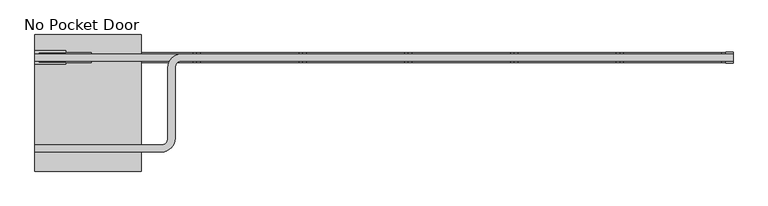
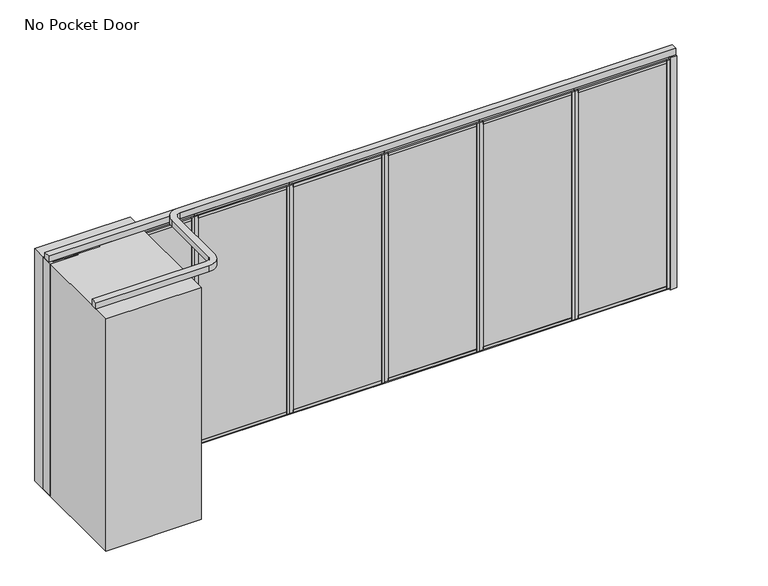
"""IFC4 building model written with IfcOpenShell, lengths in millimetres: proxy geometry, No Pocket Door."""

from ifc_helpers import new_model, si_unit, point, frame, frame_2d, origin, origin_with_axes, place, context, project, spatial, polyline, circle_curve, trimmed, segment, composite_curve, outline, extrude, source, transform, mapped, element, save


def no_pocket_door_77aa2fbe(model_context):
    return source(origin(), model_context, "Body", "SweptSolid", [
        extrude(outline(polyline([(3361.736883, 34.13125), (4423.2452164, 34.13125), (4423.2452164, -34.13125), (3361.736883, -34.13125), (3361.736883, 34.13125)])), origin_with_axes(), (0.0, 0.0, 1.0), 22.225),
        extrude(outline(polyline([(3361.736883, 34.13125), (4423.2452164, 34.13125), (4423.2452164, -34.13125), (3361.736883, -34.13125), (3361.736883, 34.13125)])), frame((0.0, 0.0, 2720.975), z_axis=(0.0, 0.0, 1.0), x_axis=(1.0, 0.0, 0.0)), (0.0, 0.0, 1.0), 22.225),
        extrude(outline(polyline([(3396.915883, -50.8), (3361.990883, -50.8), (3361.990883, 50.8), (3396.915883, 50.8), (3396.915883, -50.8)])), frame((0.0, 0.0, 22.225), z_axis=(0.0, 0.0, 1.0), x_axis=(1.0, 0.0, 0.0)), (0.0, 0.0, 1.0), 2698.75),
        extrude(outline(polyline([(4388.0662164, -50.8), (4388.0662164, 50.8), (4422.9912164, 50.8), (4422.9912164, -50.8), (4388.0662164, -50.8)])), frame((0.0, 0.0, 22.225), z_axis=(0.0, 0.0, 1.0), x_axis=(1.0, 0.0, 0.0)), (0.0, 0.0, 1.0), 2698.75),
        extrude(outline(polyline([(0.0, 9.525), (1036.1083334, 9.525), (1036.1083334, 0.0), (0.0, 0.0), (0.0, 9.525)])), frame((4410.5452164, -36.5125, 52.3875), z_axis=(0.0, 1.4530598946293796e-12, 1.0), x_axis=(-1.0, 0.0, 0.0)), (0.0, 0.0, 1.0), 2638.425),
        extrude(outline(polyline([(0.0, 7.9375), (1036.1083334, 7.9375), (1036.1083334, 0.0), (0.0, 0.0), (0.0, 7.9375)])), frame((4410.5452164, 44.45, 52.3875), z_axis=(0.0, -1.775646296664526e-12, 1.0), x_axis=(-1.0, 0.0, 0.0)), (0.0, 0.0, 1.0), 2638.425),
        extrude(outline(polyline([(36.5125, 2605.0875), (-36.5125, 2605.0875), (-36.5125, 2690.8125), (-50.8, 2690.8125), (-50.8, 2720.975), (50.8, 2720.975), (50.8, 2690.8125), (36.5125, 2690.8125), (36.5125, 2605.0875)])), frame((3396.915883, 0.0, 0.0), z_axis=(1.0, 0.0, 0.0), x_axis=(0.0, 1.0, 0.0)), (0.0, 0.0, 1.0), 991.1503333),
        extrude(outline(polyline([(50.8, 22.225), (-50.8, 22.225), (-50.8, 52.3875), (-36.5125, 52.3875), (-36.5125, 138.1125), (36.5125, 138.1125), (36.5125, 52.3875), (50.8, 52.3875), (50.8, 22.225)])), frame((3396.915883, 0.0, 0.0), z_axis=(1.0, 0.0, 0.0), x_axis=(0.0, 1.0, 0.0)), (0.0, 0.0, 1.0), 991.1503333),
        extrude(outline(polyline([(2300.2285497, 34.13125), (3361.736883, 34.13125), (3361.736883, -34.13125), (2300.2285497, -34.13125), (2300.2285497, 34.13125)])), origin_with_axes(), (0.0, 0.0, 1.0), 22.225),
        extrude(outline(polyline([(2300.2285497, 34.13125), (3361.736883, 34.13125), (3361.736883, -34.13125), (2300.2285497, -34.13125), (2300.2285497, 34.13125)])), frame((0.0, 0.0, 2720.975), z_axis=(0.0, 0.0, 1.0), x_axis=(1.0, 0.0, 0.0)), (0.0, 0.0, 1.0), 22.225),
        extrude(outline(polyline([(2335.4075497, -50.8), (2300.4825497, -50.8), (2300.4825497, 50.8), (2335.4075497, 50.8), (2335.4075497, -50.8)])), frame((0.0, 0.0, 22.225), z_axis=(0.0, 0.0, 1.0), x_axis=(1.0, 0.0, 0.0)), (0.0, 0.0, 1.0), 2698.75),
        extrude(outline(polyline([(3326.557883, -50.8), (3326.557883, 50.8), (3361.482883, 50.8), (3361.482883, -50.8), (3326.557883, -50.8)])), frame((0.0, 0.0, 22.225), z_axis=(0.0, 0.0, 1.0), x_axis=(1.0, 0.0, 0.0)), (0.0, 0.0, 1.0), 2698.75),
        extrude(outline(polyline([(0.0, 9.525), (1036.1083333, 9.525), (1036.1083333, 0.0), (0.0, 0.0), (0.0, 9.525)])), frame((3349.036883, -36.5125, 52.3875), z_axis=(0.0, 1.4530598946293796e-12, 1.0), x_axis=(-1.0, 0.0, 0.0)), (0.0, 0.0, 1.0), 2638.425),
        extrude(outline(polyline([(0.0, 7.9375), (1036.1083333, 7.9375), (1036.1083333, 0.0), (0.0, 0.0), (0.0, 7.9375)])), frame((3349.036883, 44.45, 52.3875), z_axis=(0.0, -1.775646296664526e-12, 1.0), x_axis=(-1.0, 0.0, 0.0)), (0.0, 0.0, 1.0), 2638.425),
        extrude(outline(polyline([(36.5125, 2605.0875), (-36.5125, 2605.0875), (-36.5125, 2690.8125), (-50.8, 2690.8125), (-50.8, 2720.975), (50.8, 2720.975), (50.8, 2690.8125), (36.5125, 2690.8125), (36.5125, 2605.0875)])), frame((2335.4075497, 0.0, 0.0), z_axis=(1.0, 0.0, 0.0), x_axis=(0.0, 1.0, 0.0)), (0.0, 0.0, 1.0), 991.1503333),
        extrude(outline(polyline([(50.8, 22.225), (-50.8, 22.225), (-50.8, 52.3875), (-36.5125, 52.3875), (-36.5125, 138.1125), (36.5125, 138.1125), (36.5125, 52.3875), (50.8, 52.3875), (50.8, 22.225)])), frame((2335.4075497, 0.0, 0.0), z_axis=(1.0, 0.0, 0.0), x_axis=(0.0, 1.0, 0.0)), (0.0, 0.0, 1.0), 991.1503333),
        extrude(outline(polyline([(1238.7202164, 34.13125), (2300.2285497, 34.13125), (2300.2285497, -34.13125), (1238.7202164, -34.13125), (1238.7202164, 34.13125)])), origin_with_axes(), (0.0, 0.0, 1.0), 22.225),
        extrude(outline(polyline([(1238.7202164, 34.13125), (2300.2285497, 34.13125), (2300.2285497, -34.13125), (1238.7202164, -34.13125), (1238.7202164, 34.13125)])), frame((0.0, 0.0, 2720.975), z_axis=(0.0, 0.0, 1.0), x_axis=(1.0, 0.0, 0.0)), (0.0, 0.0, 1.0), 22.225),
        extrude(outline(polyline([(1273.8992164, -50.8), (1238.9742164, -50.8), (1238.9742164, 50.8), (1273.8992164, 50.8), (1273.8992164, -50.8)])), frame((0.0, 0.0, 22.225), z_axis=(0.0, 0.0, 1.0), x_axis=(1.0, 0.0, 0.0)), (0.0, 0.0, 1.0), 2698.75),
        extrude(outline(polyline([(2265.0495497, -50.8), (2265.0495497, 50.8), (2299.9745497, 50.8), (2299.9745497, -50.8), (2265.0495497, -50.8)])), frame((0.0, 0.0, 22.225), z_axis=(0.0, 0.0, 1.0), x_axis=(1.0, 0.0, 0.0)), (0.0, 0.0, 1.0), 2698.75),
        extrude(outline(polyline([(0.0, 9.525), (1036.1083333, 9.525), (1036.1083333, 0.0), (0.0, 0.0), (0.0, 9.525)])), frame((2287.5285497, -36.5125, 52.3875), z_axis=(0.0, 1.4530598946293796e-12, 1.0), x_axis=(-1.0, 0.0, 0.0)), (0.0, 0.0, 1.0), 2638.425),
        extrude(outline(polyline([(0.0, 7.9375), (1036.1083333, 7.9375), (1036.1083333, 0.0), (0.0, 0.0), (0.0, 7.9375)])), frame((2287.5285497, 44.45, 52.3875), z_axis=(0.0, -1.775646296664526e-12, 1.0), x_axis=(-1.0, 0.0, 0.0)), (0.0, 0.0, 1.0), 2638.425),
        extrude(outline(polyline([(36.5125, 2605.0875), (-36.5125, 2605.0875), (-36.5125, 2690.8125), (-50.8, 2690.8125), (-50.8, 2720.975), (50.8, 2720.975), (50.8, 2690.8125), (36.5125, 2690.8125), (36.5125, 2605.0875)])), frame((1273.8992164, 0.0, 0.0), z_axis=(1.0, 0.0, 0.0), x_axis=(0.0, 1.0, 0.0)), (0.0, 0.0, 1.0), 991.1503333),
        extrude(outline(polyline([(50.8, 22.225), (-50.8, 22.225), (-50.8, 52.3875), (-36.5125, 52.3875), (-36.5125, 138.1125), (36.5125, 138.1125), (36.5125, 52.3875), (50.8, 52.3875), (50.8, 22.225)])), frame((1273.8992164, 0.0, 0.0), z_axis=(1.0, 0.0, 0.0), x_axis=(0.0, 1.0, 0.0)), (0.0, 0.0, 1.0), 991.1503333),
        extrude(outline(polyline([(177.211883, 34.13125), (1238.7202164, 34.13125), (1238.7202164, -34.13125), (177.211883, -34.13125), (177.211883, 34.13125)])), origin_with_axes(), (0.0, 0.0, 1.0), 22.225),
        extrude(outline(polyline([(177.211883, 34.13125), (1238.7202164, 34.13125), (1238.7202164, -34.13125), (177.211883, -34.13125), (177.211883, 34.13125)])), frame((0.0, 0.0, 2720.975), z_axis=(0.0, 0.0, 1.0), x_axis=(1.0, 0.0, 0.0)), (0.0, 0.0, 1.0), 22.225),
        extrude(outline(polyline([(212.390883, -50.8), (177.465883, -50.8), (177.465883, 50.8), (212.390883, 50.8), (212.390883, -50.8)])), frame((0.0, 0.0, 22.225), z_axis=(0.0, 0.0, 1.0), x_axis=(1.0, 0.0, 0.0)), (0.0, 0.0, 1.0), 2698.75),
        extrude(outline(polyline([(1203.5412164, -50.8), (1203.5412164, 50.8), (1238.4662164, 50.8), (1238.4662164, -50.8), (1203.5412164, -50.8)])), frame((0.0, 0.0, 22.225), z_axis=(0.0, 0.0, 1.0), x_axis=(1.0, 0.0, 0.0)), (0.0, 0.0, 1.0), 2698.75),
        extrude(outline(polyline([(0.0, 9.525), (1036.1083334, 9.525), (1036.1083334, 0.0), (0.0, 0.0), (0.0, 9.525)])), frame((1226.0202164, -36.5125, 52.3875), z_axis=(0.0, 1.4530598946293796e-12, 1.0), x_axis=(-1.0, 0.0, 0.0)), (0.0, 0.0, 1.0), 2638.425),
        extrude(outline(polyline([(0.0, 7.9375), (1036.1083334, 7.9375), (1036.1083334, 0.0), (0.0, 0.0), (0.0, 7.9375)])), frame((1226.0202164, 44.45, 52.3875), z_axis=(0.0, -1.775646296664526e-12, 1.0), x_axis=(-1.0, 0.0, 0.0)), (0.0, 0.0, 1.0), 2638.425),
        extrude(outline(polyline([(36.5125, 2605.0875), (-36.5125, 2605.0875), (-36.5125, 2690.8125), (-50.8, 2690.8125), (-50.8, 2720.975), (50.8, 2720.975), (50.8, 2690.8125), (36.5125, 2690.8125), (36.5125, 2605.0875)])), frame((212.390883, 0.0, 0.0), z_axis=(1.0, 0.0, 0.0), x_axis=(0.0, 1.0, 0.0)), (0.0, 0.0, 1.0), 991.1503333),
        extrude(outline(polyline([(50.8, 22.225), (-50.8, 22.225), (-50.8, 52.3875), (-36.5125, 52.3875), (-36.5125, 138.1125), (36.5125, 138.1125), (36.5125, 52.3875), (50.8, 52.3875), (50.8, 22.225)])), frame((212.390883, 0.0, 0.0), z_axis=(1.0, 0.0, 0.0), x_axis=(0.0, 1.0, 0.0)), (0.0, 0.0, 1.0), 991.1503333),
        extrude(outline(polyline([(4423.2452164, 34.13125), (5484.7535497, 34.13125), (5484.7535497, -34.13125), (4423.2452164, -34.13125), (4423.2452164, 34.13125)])), origin_with_axes(), (0.0, 0.0, 1.0), 22.225),
        extrude(outline(polyline([(4423.2452164, 34.13125), (5484.7535497, 34.13125), (5484.7535497, -34.13125), (4423.2452164, -34.13125), (4423.2452164, 34.13125)])), frame((0.0, 0.0, 2720.975), z_axis=(0.0, 0.0, 1.0), x_axis=(1.0, 0.0, 0.0)), (0.0, 0.0, 1.0), 22.225),
        extrude(outline(polyline([(4458.4242164, -50.8), (4423.4992164, -50.8), (4423.4992164, 50.8), (4458.4242164, 50.8), (4458.4242164, -50.8)])), frame((0.0, 0.0, 22.225), z_axis=(0.0, 0.0, 1.0), x_axis=(1.0, 0.0, 0.0)), (0.0, 0.0, 1.0), 2698.75),
        extrude(outline(polyline([(5449.5745497, -50.8), (5449.5745497, 50.8), (5484.4995497, 50.8), (5484.4995497, -50.8), (5449.5745497, -50.8)])), frame((0.0, 0.0, 22.225), z_axis=(0.0, 0.0, 1.0), x_axis=(1.0, 0.0, 0.0)), (0.0, 0.0, 1.0), 2698.75),
        extrude(outline(polyline([(0.0, 9.525), (1036.1083333, 9.525), (1036.1083333, 0.0), (0.0, 0.0), (0.0, 9.525)])), frame((5472.0535497, -36.5125, 52.3875), z_axis=(0.0, 1.4530598946293796e-12, 1.0), x_axis=(-1.0, 0.0, 0.0)), (0.0, 0.0, 1.0), 2638.425),
        extrude(outline(polyline([(0.0, 7.9375), (1036.1083333, 7.9375), (1036.1083333, 0.0), (0.0, 0.0), (0.0, 7.9375)])), frame((5472.0535497, 44.45, 52.3875), z_axis=(0.0, -1.775646296664526e-12, 1.0), x_axis=(-1.0, 0.0, 0.0)), (0.0, 0.0, 1.0), 2638.425),
        extrude(outline(polyline([(36.5125, 2605.0875), (-36.5125, 2605.0875), (-36.5125, 2690.8125), (-50.8, 2690.8125), (-50.8, 2720.975), (50.8, 2720.975), (50.8, 2690.8125), (36.5125, 2690.8125), (36.5125, 2605.0875)])), frame((4458.4242164, 0.0, 0.0), z_axis=(1.0, 0.0, 0.0), x_axis=(0.0, 1.0, 0.0)), (0.0, 0.0, 1.0), 991.1503333),
        extrude(outline(polyline([(50.8, 22.225), (-50.8, 22.225), (-50.8, 52.3875), (-36.5125, 52.3875), (-36.5125, 138.1125), (36.5125, 138.1125), (36.5125, 52.3875), (50.8, 52.3875), (50.8, 22.225)])), frame((4458.4242164, 0.0, 0.0), z_axis=(1.0, 0.0, 0.0), x_axis=(0.0, 1.0, 0.0)), (0.0, 0.0, 1.0), 991.1503333),
        extrude(outline(polyline([(-1138.2964503, -68.2625), (-1449.4464503, -68.2625), (-1449.4464503, 68.2625), (-1138.2964503, 68.2625), (-1138.2964503, 50.8), (-1411.3464503, 50.8), (-1411.3464503, -50.8), (-1138.2964503, -50.8), (-1138.2964503, -68.2625)])), origin_with_axes(), (0.0, 0.0, 1.0), 2743.2),
        extrude(outline(polyline([(-884.2964503, -50.8), (-1182.7464503, -50.8), (-1182.7464503, 50.8), (-884.2964503, 50.8), (-884.2964503, -50.8)])), origin_with_axes(), (0.0, 0.0, 1.0), 2743.2),
        extrude(outline(polyline([(5560.9535497, -53.975), (5484.7535497, -53.975), (5484.7535497, 53.975), (5560.9535497, 53.975), (5560.9535497, -53.975)])), origin_with_axes(), (0.0, 0.0, 1.0), 2743.2),
        extrude(outline(polyline([(-884.2964503, 34.13125), (177.211883, 34.13125), (177.211883, -34.13125), (-884.2964503, -34.13125), (-884.2964503, 34.13125)])), origin_with_axes(), (0.0, 0.0, 1.0), 22.225),
        extrude(outline(polyline([(-884.2964503, 34.13125), (177.211883, 34.13125), (177.211883, -34.13125), (-884.2964503, -34.13125), (-884.2964503, 34.13125)])), frame((0.0, 0.0, 2720.975), z_axis=(0.0, 0.0, 1.0), x_axis=(1.0, 0.0, 0.0)), (0.0, 0.0, 1.0), 22.225),
        extrude(outline(polyline([(-849.1174503, -50.8), (-884.0424503, -50.8), (-884.0424503, 50.8), (-849.1174503, 50.8), (-849.1174503, -50.8)])), frame((0.0, 0.0, 22.225), z_axis=(0.0, 0.0, 1.0), x_axis=(1.0, 0.0, 0.0)), (0.0, 0.0, 1.0), 2698.75),
        extrude(outline(polyline([(142.032883, -50.8), (142.032883, 50.8), (176.957883, 50.8), (176.957883, -50.8), (142.032883, -50.8)])), frame((0.0, 0.0, 22.225), z_axis=(0.0, 0.0, 1.0), x_axis=(1.0, 0.0, 0.0)), (0.0, 0.0, 1.0), 2698.75),
        extrude(outline(polyline([(0.0, 9.525), (1036.1083333, 9.525), (1036.1083333, 0.0), (0.0, 0.0), (0.0, 9.525)])), frame((164.511883, -36.5125, 52.3875), z_axis=(0.0, 1.4530598946293796e-12, 1.0), x_axis=(-1.0, 0.0, 0.0)), (0.0, 0.0, 1.0), 2638.425),
        extrude(outline(polyline([(0.0, 7.9375), (1036.1083333, 7.9375), (1036.1083333, 0.0), (0.0, 0.0), (0.0, 7.9375)])), frame((164.511883, 44.45, 52.3875), z_axis=(0.0, -1.775646296664526e-12, 1.0), x_axis=(-1.0, 0.0, 0.0)), (0.0, 0.0, 1.0), 2638.425),
        extrude(outline(polyline([(36.5125, 2605.0875), (-36.5125, 2605.0875), (-36.5125, 2690.8125), (-50.8, 2690.8125), (-50.8, 2720.975), (50.8, 2720.975), (50.8, 2690.8125), (36.5125, 2690.8125), (36.5125, 2605.0875)])), frame((-849.1174503, 0.0, 0.0), z_axis=(1.0, 0.0, 0.0), x_axis=(0.0, 1.0, 0.0)), (0.0, 0.0, 1.0), 991.1503333),
        extrude(outline(polyline([(50.8, 22.225), (-50.8, 22.225), (-50.8, 52.3875), (-36.5125, 52.3875), (-36.5125, 138.1125), (36.5125, 138.1125), (36.5125, 52.3875), (50.8, 52.3875), (50.8, 22.225)])), frame((-849.1174503, 0.0, 0.0), z_axis=(1.0, 0.0, 0.0), x_axis=(0.0, 1.0, 0.0)), (0.0, 0.0, 1.0), 991.1503333),
        extrude(outline(composite_curve([segment(polyline([(5560.9535497, -35.71875), (23.7535497, -35.71875)]), True, "CONTINUOUS"), segment(trimmed(circle_curve(frame_2d((23.7535497, -101.6)), 65.88125), [point((23.7535497, -35.71875))], [point((-42.1277003, -101.6))], True, "CARTESIAN"), True, "CONTINUOUS"), segment(polyline([(-42.1277003, -101.6), (-42.1277003, -812.8)]), True, "CONTINUOUS"), segment(trimmed(circle_curve(frame_2d((-179.4464503, -812.8)), 137.31875), [point((-42.1277003, -812.8))], [point((-179.4464503, -950.11875))], False, "CARTESIAN"), True, "CONTINUOUS"), segment(polyline([(-179.4464503, -950.11875), (-1449.4464503, -950.11875), (-1449.4464503, -878.68125), (-179.4464503, -878.68125)]), True, "CONTINUOUS"), segment(trimmed(circle_curve(frame_2d((-179.4464503, -812.8)), 65.88125), [point((-179.4464503, -878.68125))], [point((-113.5652003, -812.8))], True, "CARTESIAN"), True, "CONTINUOUS"), segment(polyline([(-113.5652003, -812.8), (-113.5652003, -101.6)]), True, "CONTINUOUS"), segment(trimmed(circle_curve(frame_2d((23.7535497, -101.6)), 137.31875), [point((-113.5652003, -101.6))], [point((23.7535497, 35.71875))], False, "CARTESIAN"), True, "CONTINUOUS"), segment(polyline([(23.7535497, 35.71875), (5560.9535497, 35.71875), (5560.9535497, -35.71875)]), True, "CONTINUOUS")], self_intersect=False)), frame((0.0, 0.0, 2743.2), z_axis=(0.0, 0.0, 1.0), x_axis=(1.0, 0.0, 0.0)), (0.0, 0.0, 1.0), 74.6125),
        extrude(outline(polyline([(177.211883, -35.71875), (-1449.4464503, -35.71875), (-1449.4464503, 35.71875), (177.211883, 35.71875), (177.211883, -35.71875)])), frame((0.0, 0.0, 2743.2), z_axis=(0.0, 0.0, 1.0), x_axis=(1.0, 0.0, 0.0)), (0.0, 0.0, 1.0), 74.6125),
        extrude(outline(polyline([(-382.6464503, 228.6), (-382.6464503, -1143.0), (-1449.4464503, -1143.0), (-1449.4464503, 228.6), (-382.6464503, 228.6)])), origin_with_axes(), (0.0, 0.0, 1.0), 2743.2),
    ])


if __name__ == "__main__":
    model = new_model("IFC4")
    model_context = context("Model", 3, world=origin())
    ifc_project = project(units=[si_unit("LENGTHUNIT", "METRE", prefix="MILLI")], contexts=[model_context])
    site = spatial("IfcSite", under=ifc_project)
    building = spatial("IfcBuilding", under=site)
    placement = place(None, origin())
    no_pocket_door_shape = no_pocket_door_77aa2fbe(model_context)
    element("IfcBuildingElementProxy", 1, Name="No Pocket Door", ObjectType="No Pocket Door", at=placement, inside=building, context=model_context, shape_type="MappedRepresentation", body=[
        mapped(no_pocket_door_shape, transform((0.0, 0.0, 0.0), x_axis=(1.0, 0.0, 0.0), y_axis=(0.0, 1.0, 0.0), z_axis=(0.0, 0.0, 1.0))),
    ])
    save(model, "model.ifc")
